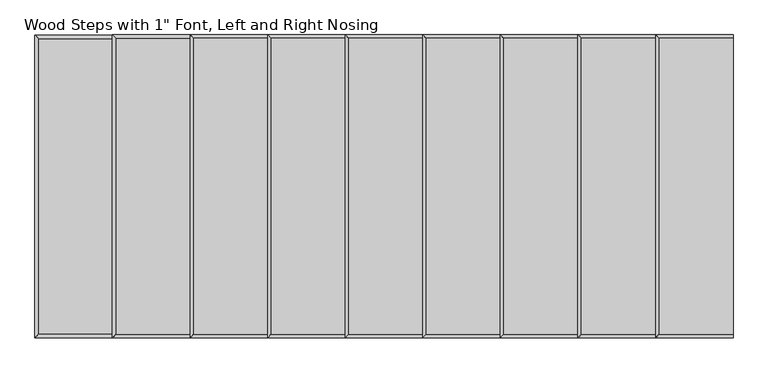
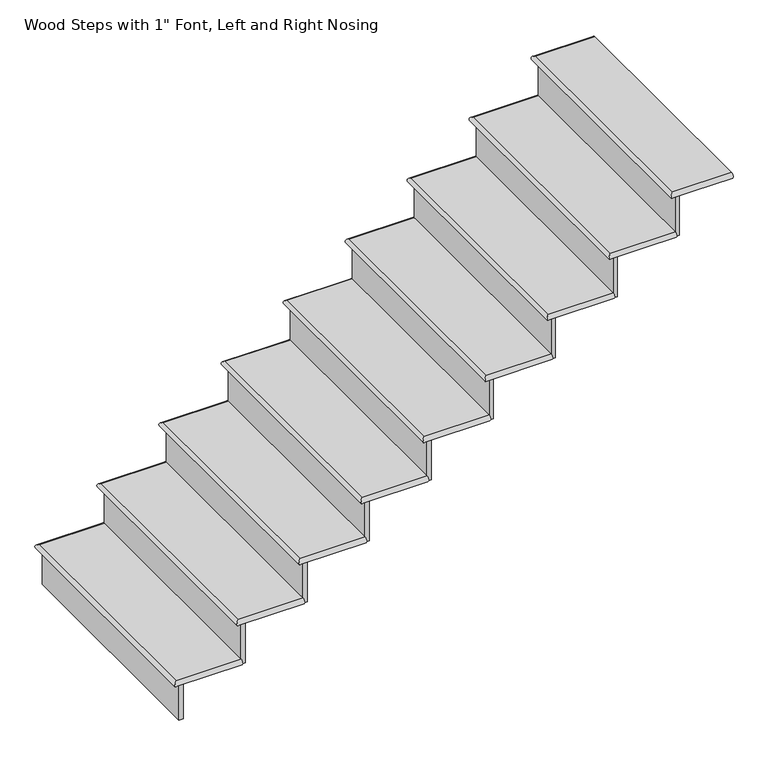
"""IFC4 building model written with IfcOpenShell, lengths in millimetres: stair flight geometry."""

from ifc_helpers import new_model, si_unit, frame, origin, place, context, project, spatial, circle_curve, ellipse_curve, faceted_brep, source, transform, mapped, element, save
from ifc_brep_helpers import plane_surface, cylinder_surface, advanced_brep


def stair_flight_1c9da4ee(model_context):
    return source(origin(), model_context, "Body", "SolidModel", [
        advanced_brep(
        [(243.0610723, 3207.6181742, -1864.36), (243.0610723, 3207.6181742, -1838.96), (-49.0389277, 3207.6181742, -1838.96), (-49.0389277, 3207.6181742, -1864.36), (-49.0389277, 4274.4181742, -1838.96), (-49.0389277, 4274.4181742, -1864.36), (243.0610723, 4274.4181742, -1838.96), (243.0610723, 4274.4181742, -1864.36)],
        [
            (0, 1, circle_curve(frame((243.0610723, 3207.6181742, -1851.66), z_axis=(-1.0, 0.0, 0.0), x_axis=(0.0, 1.0, 0.0)), 12.7)),
            (1, 2),
            (2, 3, ellipse_curve(frame((-49.0389277, 3207.6181742, -1851.66), z_axis=(0.7071067811865449, -0.7071067811865501, 0.0), x_axis=(0.70710678118655, 0.707106781186545, 0.0)), 17.9605122, 12.7)),
            (3, 0),
            (2, 4),
            (4, 5, ellipse_curve(frame((-49.0389277, 4274.4181742, -1851.66), z_axis=(-0.70710678118655, -0.7071067811865449, 0.0), x_axis=(0.7071067811865448, -0.7071067811865501, 0.0)), 17.9605122, 12.7)),
            (5, 3),
            (4, 6),
            (6, 7, circle_curve(frame((243.0610723, 4274.4181742, -1851.66), z_axis=(-1.0, 0.0, 0.0), x_axis=(0.0, -1.0, 0.0)), 12.7)),
            (7, 5),
            (1, 6),
            (7, 0),
        ],
        [
            cylinder_surface(frame((243.0610723, 3207.6181742, -1851.66), z_axis=(1.0, 0.0, 0.0), x_axis=(0.0, 1.0, 0.0)), 12.7),
            cylinder_surface(frame((-49.0389277, 3207.6181742, -1851.66), z_axis=(0.0, -1.0, 0.0), x_axis=(1.0, 0.0, 0.0)), 12.7),
            cylinder_surface(frame((-49.0389277, 4274.4181742, -1851.66), z_axis=(-1.0, 0.0, 0.0), x_axis=(0.0, -1.0, 0.0)), 12.7),
            plane_surface(frame((-61.7389277, 4274.4181742, -1838.96), z_axis=(0.0, 0.0, 1.0), x_axis=(-1.0, 0.0, 0.0))),
            plane_surface(frame((-61.7389277, 4274.4181742, -1864.36), z_axis=(0.0, 0.0, -1.0), x_axis=(1.0, 0.0, 0.0))),
            plane_surface(frame((243.0610723, 3207.6181742, -1838.96), z_axis=(1.0, 0.0, 0.0), x_axis=(0.0, 0.0, -1.0))),
        ],
        [
            (0, [[1, 2, 3, 4]]),
            (1, [[-3, 5, 6, 7]]),
            (2, [[-6, 8, 9, 10]]),
            (3, [[11, -8, -5, -2]]),
            (4, [[12, -4, -7, -10]]),
            (5, [[-11, -1, -12, -9]]),
        ],
    ),
        faceted_brep([(-36.3389277, 3207.6181742, -1864.36), (-36.3389277, 3207.6181742, -2032.0), (-17.2889277, 3207.6181742, -2032.0), (-17.2889277, 3207.6181742, -1864.36), (-36.3389277, 4274.4181742, -1864.36), (-17.2889277, 4274.4181742, -1864.36), (-17.2889277, 4274.4181742, -2032.0), (-36.3389277, 4274.4181742, -2032.0)], [[[0, 1, 2, 3]], [[4, 5, 6, 7]], [[1, 0, 4, 7]], [[2, 1, 7, 6]], [[3, 2, 6, 5]], [[0, 3, 5, 4]]]),
        faceted_brep([(243.0610723, 3207.6181742, -1671.32), (243.0610723, 3207.6181742, -1864.36), (262.1110723, 3207.6181742, -1864.36), (262.1110723, 3207.6181742, -1671.32), (243.0610723, 4274.4181742, -1671.32), (262.1110723, 4274.4181742, -1671.32), (262.1110723, 4274.4181742, -1864.36), (243.0610723, 4274.4181742, -1864.36)], [[[0, 1, 2, 3]], [[4, 5, 6, 7]], [[1, 0, 4, 7]], [[2, 1, 7, 6]], [[3, 2, 6, 5]], [[0, 3, 5, 4]]]),
        advanced_brep(
        [(522.4610723, 3207.6181742, -1645.92), (522.4610723, 4274.4181742, -1645.92), (230.3610723, 4274.4181742, -1645.92), (230.3610723, 3207.6181742, -1645.92), (522.4610723, 4274.4181742, -1671.32), (522.4610723, 3207.6181742, -1671.32), (230.3610723, 3207.6181742, -1671.32), (230.3610723, 4274.4181742, -1671.32)],
        [
            (0, 1),
            (1, 2),
            (2, 3),
            (3, 0),
            (4, 5),
            (5, 6),
            (6, 7),
            (7, 4),
            (0, 5, circle_curve(frame((522.4610723, 3207.6181742, -1658.62), z_axis=(1.0, 0.0, 0.0), x_axis=(0.0, 1.0, 0.0)), 12.7)),
            (4, 1, circle_curve(frame((522.4610723, 4274.4181742, -1658.62), z_axis=(1.0, 0.0, 0.0), x_axis=(0.0, -1.0, 0.0)), 12.7)),
            (3, 6, ellipse_curve(frame((230.3610723, 3207.6181742, -1658.62), z_axis=(0.7071067811865456, -0.7071067811865493, 0.0), x_axis=(0.7071067811865495, 0.7071067811865456, 0.0)), 17.9605122, 12.7)),
            (2, 7, ellipse_curve(frame((230.3610723, 4274.4181742, -1658.62), z_axis=(-0.7071067811865495, -0.7071067811865455, 0.0), x_axis=(0.7071067811865452, -0.7071067811865497, 0.0)), 17.9605122, 12.7)),
        ],
        [
            plane_surface(frame((-61.7389277, 4274.4181742, -1645.92), z_axis=(0.0, 0.0, 1.0), x_axis=(-1.0, 0.0, 0.0))),
            plane_surface(frame((-61.7389277, 4274.4181742, -1671.32), z_axis=(0.0, 0.0, -1.0), x_axis=(1.0, 0.0, 0.0))),
            plane_surface(frame((522.4610723, 3207.6181742, -1645.92), z_axis=(1.0, 0.0, 0.0), x_axis=(0.0, 0.0, -1.0))),
            cylinder_surface(frame((522.4610723, 3207.6181742, -1658.62), z_axis=(1.0, 0.0, 0.0), x_axis=(0.0, 1.0, 0.0)), 12.7),
            cylinder_surface(frame((230.3610723, 3207.6181742, -1658.62), z_axis=(0.0, -1.0, 0.0), x_axis=(1.0, 0.0, 0.0)), 12.7),
            cylinder_surface(frame((230.3610723, 4274.4181742, -1658.62), z_axis=(-1.0, 0.0, 0.0), x_axis=(0.0, -1.0, 0.0)), 12.7),
        ],
        [
            (0, [[1, 2, 3, 4]]),
            (1, [[5, 6, 7, 8]]),
            (2, [[-1, 9, -5, 10]]),
            (3, [[-9, -4, 11, -6]]),
            (4, [[-11, -3, 12, -7]]),
            (5, [[-12, -2, -10, -8]]),
        ],
    ),
        faceted_brep([(522.4610723, 3207.6181742, -1478.28), (522.4610723, 3207.6181742, -1671.32), (541.5110723, 3207.6181742, -1671.32), (541.5110723, 3207.6181742, -1478.28), (522.4610723, 4274.4181742, -1478.28), (541.5110723, 4274.4181742, -1478.28), (541.5110723, 4274.4181742, -1671.32), (522.4610723, 4274.4181742, -1671.32)], [[[0, 1, 2, 3]], [[4, 5, 6, 7]], [[1, 0, 4, 7]], [[2, 1, 7, 6]], [[3, 2, 6, 5]], [[0, 3, 5, 4]]]),
        advanced_brep(
        [(801.8610723, 3207.6181742, -1452.88), (801.8610723, 4274.4181742, -1452.88), (509.7610723, 4274.4181742, -1452.88), (509.7610723, 3207.6181742, -1452.88), (801.8610723, 4274.4181742, -1478.28), (801.8610723, 3207.6181742, -1478.28), (509.7610723, 3207.6181742, -1478.28), (509.7610723, 4274.4181742, -1478.28)],
        [
            (0, 1),
            (1, 2),
            (2, 3),
            (3, 0),
            (4, 5),
            (5, 6),
            (6, 7),
            (7, 4),
            (0, 5, circle_curve(frame((801.8610723, 3207.6181742, -1465.58), z_axis=(1.0, 0.0, 0.0), x_axis=(0.0, 1.0, 0.0)), 12.7)),
            (4, 1, circle_curve(frame((801.8610723, 4274.4181742, -1465.58), z_axis=(1.0, 0.0, 0.0), x_axis=(0.0, -1.0, 0.0)), 12.7)),
            (3, 6, ellipse_curve(frame((509.7610723, 3207.6181742, -1465.58), z_axis=(0.7071067811865456, -0.7071067811865493, 0.0), x_axis=(0.7071067811865495, 0.7071067811865456, 0.0)), 17.9605122, 12.7)),
            (2, 7, ellipse_curve(frame((509.7610723, 4274.4181742, -1465.58), z_axis=(-0.7071067811865495, -0.7071067811865455, 0.0), x_axis=(0.7071067811865452, -0.7071067811865497, 0.0)), 17.9605122, 12.7)),
        ],
        [
            plane_surface(frame((217.6610723, 4274.4181742, -1452.88), z_axis=(0.0, 0.0, 1.0), x_axis=(-1.0, 0.0, 0.0))),
            plane_surface(frame((217.6610723, 4274.4181742, -1478.28), z_axis=(0.0, 0.0, -1.0), x_axis=(1.0, 0.0, 0.0))),
            plane_surface(frame((801.8610723, 3207.6181742, -1452.88), z_axis=(1.0, 0.0, 0.0), x_axis=(0.0, 0.0, -1.0))),
            cylinder_surface(frame((801.8610723, 3207.6181742, -1465.58), z_axis=(1.0, 0.0, 0.0), x_axis=(0.0, 1.0, 0.0)), 12.7),
            cylinder_surface(frame((509.7610723, 3207.6181742, -1465.58), z_axis=(0.0, -1.0, 0.0), x_axis=(1.0, 0.0, 0.0)), 12.7),
            cylinder_surface(frame((509.7610723, 4274.4181742, -1465.58), z_axis=(-1.0, 0.0, 0.0), x_axis=(0.0, -1.0, 0.0)), 12.7),
        ],
        [
            (0, [[1, 2, 3, 4]]),
            (1, [[5, 6, 7, 8]]),
            (2, [[-1, 9, -5, 10]]),
            (3, [[-9, -4, 11, -6]]),
            (4, [[-11, -3, 12, -7]]),
            (5, [[-12, -2, -10, -8]]),
        ],
    ),
        faceted_brep([(801.8610723, 3207.6181742, -1285.24), (801.8610723, 3207.6181742, -1478.28), (820.9110723, 3207.6181742, -1478.28), (820.9110723, 3207.6181742, -1285.24), (801.8610723, 4274.4181742, -1285.24), (820.9110723, 4274.4181742, -1285.24), (820.9110723, 4274.4181742, -1478.28), (801.8610723, 4274.4181742, -1478.28)], [[[0, 1, 2, 3]], [[4, 5, 6, 7]], [[1, 0, 4, 7]], [[2, 1, 7, 6]], [[3, 2, 6, 5]], [[0, 3, 5, 4]]]),
        advanced_brep(
        [(1081.2610723, 3207.6181742, -1259.84), (1081.2610723, 4274.4181742, -1259.84), (789.1610723, 4274.4181742, -1259.84), (789.1610723, 3207.6181742, -1259.84), (1081.2610723, 4274.4181742, -1285.24), (1081.2610723, 3207.6181742, -1285.24), (789.1610723, 3207.6181742, -1285.24), (789.1610723, 4274.4181742, -1285.24)],
        [
            (0, 1),
            (1, 2),
            (2, 3),
            (3, 0),
            (4, 5),
            (5, 6),
            (6, 7),
            (7, 4),
            (0, 5, circle_curve(frame((1081.2610723, 3207.6181742, -1272.54), z_axis=(1.0, 0.0, 0.0), x_axis=(0.0, 1.0, 0.0)), 12.7)),
            (4, 1, circle_curve(frame((1081.2610723, 4274.4181742, -1272.54), z_axis=(1.0, 0.0, 0.0), x_axis=(0.0, -1.0, 0.0)), 12.7)),
            (3, 6, ellipse_curve(frame((789.1610723, 3207.6181742, -1272.54), z_axis=(0.7071067811865456, -0.7071067811865493, 0.0), x_axis=(0.7071067811865495, 0.7071067811865456, 0.0)), 17.9605122, 12.7)),
            (2, 7, ellipse_curve(frame((789.1610723, 4274.4181742, -1272.54), z_axis=(-0.7071067811865495, -0.7071067811865455, 0.0), x_axis=(0.7071067811865452, -0.7071067811865497, 0.0)), 17.9605122, 12.7)),
        ],
        [
            plane_surface(frame((497.0610723, 4274.4181742, -1259.84), z_axis=(0.0, 0.0, 1.0), x_axis=(-1.0, 0.0, 0.0))),
            plane_surface(frame((497.0610723, 4274.4181742, -1285.24), z_axis=(0.0, 0.0, -1.0), x_axis=(1.0, 0.0, 0.0))),
            plane_surface(frame((1081.2610723, 3207.6181742, -1259.84), z_axis=(1.0, 0.0, 0.0), x_axis=(0.0, 0.0, -1.0))),
            cylinder_surface(frame((1081.2610723, 3207.6181742, -1272.54), z_axis=(1.0, 0.0, 0.0), x_axis=(0.0, 1.0, 0.0)), 12.7),
            cylinder_surface(frame((789.1610723, 3207.6181742, -1272.54), z_axis=(0.0, -1.0, 0.0), x_axis=(1.0, 0.0, 0.0)), 12.7),
            cylinder_surface(frame((789.1610723, 4274.4181742, -1272.54), z_axis=(-1.0, 0.0, 0.0), x_axis=(0.0, -1.0, 0.0)), 12.7),
        ],
        [
            (0, [[1, 2, 3, 4]]),
            (1, [[5, 6, 7, 8]]),
            (2, [[-1, 9, -5, 10]]),
            (3, [[-9, -4, 11, -6]]),
            (4, [[-11, -3, 12, -7]]),
            (5, [[-12, -2, -10, -8]]),
        ],
    ),
        faceted_brep([(1081.2610723, 3207.6181742, -1092.2), (1081.2610723, 3207.6181742, -1285.24), (1100.3110723, 3207.6181742, -1285.24), (1100.3110723, 3207.6181742, -1092.2), (1081.2610723, 4274.4181742, -1092.2), (1100.3110723, 4274.4181742, -1092.2), (1100.3110723, 4274.4181742, -1285.24), (1081.2610723, 4274.4181742, -1285.24)], [[[0, 1, 2, 3]], [[4, 5, 6, 7]], [[1, 0, 4, 7]], [[2, 1, 7, 6]], [[3, 2, 6, 5]], [[0, 3, 5, 4]]]),
        advanced_brep(
        [(1360.6610723, 3207.6181742, -1066.8), (1360.6610723, 4274.4181742, -1066.8), (1068.5610723, 4274.4181742, -1066.8), (1068.5610723, 3207.6181742, -1066.8), (1360.6610723, 4274.4181742, -1092.2), (1360.6610723, 3207.6181742, -1092.2), (1068.5610723, 3207.6181742, -1092.2), (1068.5610723, 4274.4181742, -1092.2)],
        [
            (0, 1),
            (1, 2),
            (2, 3),
            (3, 0),
            (4, 5),
            (5, 6),
            (6, 7),
            (7, 4),
            (0, 5, circle_curve(frame((1360.6610723, 3207.6181742, -1079.5), z_axis=(1.0, 0.0, 0.0), x_axis=(0.0, 1.0, 0.0)), 12.7)),
            (4, 1, circle_curve(frame((1360.6610723, 4274.4181742, -1079.5), z_axis=(1.0, 0.0, 0.0), x_axis=(0.0, -1.0, 0.0)), 12.7)),
            (3, 6, ellipse_curve(frame((1068.5610723, 3207.6181742, -1079.5), z_axis=(0.7071067811865456, -0.7071067811865493, 0.0), x_axis=(0.7071067811865495, 0.7071067811865456, 0.0)), 17.9605122, 12.7)),
            (2, 7, ellipse_curve(frame((1068.5610723, 4274.4181742, -1079.5), z_axis=(-0.7071067811865495, -0.7071067811865455, 0.0), x_axis=(0.7071067811865452, -0.7071067811865497, 0.0)), 17.9605122, 12.7)),
        ],
        [
            plane_surface(frame((776.4610723, 4274.4181742, -1066.8), z_axis=(0.0, 0.0, 1.0), x_axis=(-1.0, 0.0, 0.0))),
            plane_surface(frame((776.4610723, 4274.4181742, -1092.2), z_axis=(0.0, 0.0, -1.0), x_axis=(1.0, 0.0, 0.0))),
            plane_surface(frame((1360.6610723, 3207.6181742, -1066.8), z_axis=(1.0, 0.0, 0.0), x_axis=(0.0, 0.0, -1.0))),
            cylinder_surface(frame((1360.6610723, 3207.6181742, -1079.5), z_axis=(1.0, 0.0, 0.0), x_axis=(0.0, 1.0, 0.0)), 12.7),
            cylinder_surface(frame((1068.5610723, 3207.6181742, -1079.5), z_axis=(0.0, -1.0, 0.0), x_axis=(1.0, 0.0, 0.0)), 12.7),
            cylinder_surface(frame((1068.5610723, 4274.4181742, -1079.5), z_axis=(-1.0, 0.0, 0.0), x_axis=(0.0, -1.0, 0.0)), 12.7),
        ],
        [
            (0, [[1, 2, 3, 4]]),
            (1, [[5, 6, 7, 8]]),
            (2, [[-1, 9, -5, 10]]),
            (3, [[-9, -4, 11, -6]]),
            (4, [[-11, -3, 12, -7]]),
            (5, [[-12, -2, -10, -8]]),
        ],
    ),
        faceted_brep([(1360.6610723, 3207.6181742, -899.16), (1360.6610723, 3207.6181742, -1092.2), (1379.7110723, 3207.6181742, -1092.2), (1379.7110723, 3207.6181742, -899.16), (1360.6610723, 4274.4181742, -899.16), (1379.7110723, 4274.4181742, -899.16), (1379.7110723, 4274.4181742, -1092.2), (1360.6610723, 4274.4181742, -1092.2)], [[[0, 1, 2, 3]], [[4, 5, 6, 7]], [[1, 0, 4, 7]], [[2, 1, 7, 6]], [[3, 2, 6, 5]], [[0, 3, 5, 4]]]),
        advanced_brep(
        [(1640.0610723, 3207.6181742, -873.76), (1640.0610723, 4274.4181742, -873.76), (1347.9610723, 4274.4181742, -873.76), (1347.9610723, 3207.6181742, -873.76), (1640.0610723, 4274.4181742, -899.16), (1640.0610723, 3207.6181742, -899.16), (1347.9610723, 3207.6181742, -899.16), (1347.9610723, 4274.4181742, -899.16)],
        [
            (0, 1),
            (1, 2),
            (2, 3),
            (3, 0),
            (4, 5),
            (5, 6),
            (6, 7),
            (7, 4),
            (0, 5, circle_curve(frame((1640.0610723, 3207.6181742, -886.46), z_axis=(1.0, 0.0, 0.0), x_axis=(0.0, 1.0, 0.0)), 12.7)),
            (4, 1, circle_curve(frame((1640.0610723, 4274.4181742, -886.46), z_axis=(1.0, 0.0, 0.0), x_axis=(0.0, -1.0, 0.0)), 12.7)),
            (3, 6, ellipse_curve(frame((1347.9610723, 3207.6181742, -886.46), z_axis=(0.7071067811865456, -0.7071067811865493, 0.0), x_axis=(0.7071067811865495, 0.7071067811865456, 0.0)), 17.9605122, 12.7)),
            (2, 7, ellipse_curve(frame((1347.9610723, 4274.4181742, -886.46), z_axis=(-0.7071067811865495, -0.7071067811865455, 0.0), x_axis=(0.7071067811865452, -0.7071067811865497, 0.0)), 17.9605122, 12.7)),
        ],
        [
            plane_surface(frame((1055.8610723, 4274.4181742, -873.76), z_axis=(0.0, 0.0, 1.0), x_axis=(-1.0, 0.0, 0.0))),
            plane_surface(frame((1055.8610723, 4274.4181742, -899.16), z_axis=(0.0, 0.0, -1.0), x_axis=(1.0, 0.0, 0.0))),
            plane_surface(frame((1640.0610723, 3207.6181742, -873.76), z_axis=(1.0, 0.0, 0.0), x_axis=(0.0, 0.0, -1.0))),
            cylinder_surface(frame((1640.0610723, 3207.6181742, -886.46), z_axis=(1.0, 0.0, 0.0), x_axis=(0.0, 1.0, 0.0)), 12.7),
            cylinder_surface(frame((1347.9610723, 3207.6181742, -886.46), z_axis=(0.0, -1.0, 0.0), x_axis=(1.0, 0.0, 0.0)), 12.7),
            cylinder_surface(frame((1347.9610723, 4274.4181742, -886.46), z_axis=(-1.0, 0.0, 0.0), x_axis=(0.0, -1.0, 0.0)), 12.7),
        ],
        [
            (0, [[1, 2, 3, 4]]),
            (1, [[5, 6, 7, 8]]),
            (2, [[-1, 9, -5, 10]]),
            (3, [[-9, -4, 11, -6]]),
            (4, [[-11, -3, 12, -7]]),
            (5, [[-12, -2, -10, -8]]),
        ],
    ),
        faceted_brep([(1640.0610723, 3207.6181742, -706.12), (1640.0610723, 3207.6181742, -899.16), (1659.1110723, 3207.6181742, -899.16), (1659.1110723, 3207.6181742, -706.12), (1640.0610723, 4274.4181742, -706.12), (1659.1110723, 4274.4181742, -706.12), (1659.1110723, 4274.4181742, -899.16), (1640.0610723, 4274.4181742, -899.16)], [[[0, 1, 2, 3]], [[4, 5, 6, 7]], [[1, 0, 4, 7]], [[2, 1, 7, 6]], [[3, 2, 6, 5]], [[0, 3, 5, 4]]]),
        advanced_brep(
        [(1919.4610723, 3207.6181742, -680.72), (1919.4610723, 4274.4181742, -680.72), (1627.3610723, 4274.4181742, -680.72), (1627.3610723, 3207.6181742, -680.72), (1919.4610723, 4274.4181742, -706.12), (1919.4610723, 3207.6181742, -706.12), (1627.3610723, 3207.6181742, -706.12), (1627.3610723, 4274.4181742, -706.12)],
        [
            (0, 1),
            (1, 2),
            (2, 3),
            (3, 0),
            (4, 5),
            (5, 6),
            (6, 7),
            (7, 4),
            (0, 5, circle_curve(frame((1919.4610723, 3207.6181742, -693.42), z_axis=(1.0, 0.0, 0.0), x_axis=(0.0, 1.0, 0.0)), 12.7)),
            (4, 1, circle_curve(frame((1919.4610723, 4274.4181742, -693.42), z_axis=(1.0, 0.0, 0.0), x_axis=(0.0, -1.0, 0.0)), 12.7)),
            (3, 6, ellipse_curve(frame((1627.3610723, 3207.6181742, -693.42), z_axis=(0.7071067811865456, -0.7071067811865493, 0.0), x_axis=(0.7071067811865495, 0.7071067811865456, 0.0)), 17.9605122, 12.7)),
            (2, 7, ellipse_curve(frame((1627.3610723, 4274.4181742, -693.42), z_axis=(-0.7071067811865495, -0.7071067811865455, 0.0), x_axis=(0.7071067811865452, -0.7071067811865497, 0.0)), 17.9605122, 12.7)),
        ],
        [
            plane_surface(frame((1335.2610723, 4274.4181742, -680.72), z_axis=(0.0, 0.0, 1.0), x_axis=(-1.0, 0.0, 0.0))),
            plane_surface(frame((1335.2610723, 4274.4181742, -706.12), z_axis=(0.0, 0.0, -1.0), x_axis=(1.0, 0.0, 0.0))),
            plane_surface(frame((1919.4610723, 3207.6181742, -680.72), z_axis=(1.0, 0.0, 0.0), x_axis=(0.0, 0.0, -1.0))),
            cylinder_surface(frame((1919.4610723, 3207.6181742, -693.42), z_axis=(1.0, 0.0, 0.0), x_axis=(0.0, 1.0, 0.0)), 12.7),
            cylinder_surface(frame((1627.3610723, 3207.6181742, -693.42), z_axis=(0.0, -1.0, 0.0), x_axis=(1.0, 0.0, 0.0)), 12.7),
            cylinder_surface(frame((1627.3610723, 4274.4181742, -693.42), z_axis=(-1.0, 0.0, 0.0), x_axis=(0.0, -1.0, 0.0)), 12.7),
        ],
        [
            (0, [[1, 2, 3, 4]]),
            (1, [[5, 6, 7, 8]]),
            (2, [[-1, 9, -5, 10]]),
            (3, [[-9, -4, 11, -6]]),
            (4, [[-11, -3, 12, -7]]),
            (5, [[-12, -2, -10, -8]]),
        ],
    ),
        faceted_brep([(1919.4610723, 3207.6181742, -513.08), (1919.4610723, 3207.6181742, -706.12), (1938.5110723, 3207.6181742, -706.12), (1938.5110723, 3207.6181742, -513.08), (1919.4610723, 4274.4181742, -513.08), (1938.5110723, 4274.4181742, -513.08), (1938.5110723, 4274.4181742, -706.12), (1919.4610723, 4274.4181742, -706.12)], [[[0, 1, 2, 3]], [[4, 5, 6, 7]], [[1, 0, 4, 7]], [[2, 1, 7, 6]], [[3, 2, 6, 5]], [[0, 3, 5, 4]]]),
        advanced_brep(
        [(2198.8610723, 3207.6181742, -487.68), (2198.8610723, 4274.4181742, -487.68), (1906.7610723, 4274.4181742, -487.68), (1906.7610723, 3207.6181742, -487.68), (2198.8610723, 4274.4181742, -513.08), (2198.8610723, 3207.6181742, -513.08), (1906.7610723, 3207.6181742, -513.08), (1906.7610723, 4274.4181742, -513.08)],
        [
            (0, 1),
            (1, 2),
            (2, 3),
            (3, 0),
            (4, 5),
            (5, 6),
            (6, 7),
            (7, 4),
            (0, 5, circle_curve(frame((2198.8610723, 3207.6181742, -500.38), z_axis=(1.0, 0.0, 0.0), x_axis=(0.0, 1.0, 0.0)), 12.7)),
            (4, 1, circle_curve(frame((2198.8610723, 4274.4181742, -500.38), z_axis=(1.0, 0.0, 0.0), x_axis=(0.0, -1.0, 0.0)), 12.7)),
            (3, 6, ellipse_curve(frame((1906.7610723, 3207.6181742, -500.38), z_axis=(0.7071067811865456, -0.7071067811865493, 0.0), x_axis=(0.7071067811865495, 0.7071067811865456, 0.0)), 17.9605122, 12.7)),
            (2, 7, ellipse_curve(frame((1906.7610723, 4274.4181742, -500.38), z_axis=(-0.7071067811865495, -0.7071067811865455, 0.0), x_axis=(0.7071067811865452, -0.7071067811865497, 0.0)), 17.9605122, 12.7)),
        ],
        [
            plane_surface(frame((1614.6610723, 4274.4181742, -487.68), z_axis=(0.0, 0.0, 1.0), x_axis=(-1.0, 0.0, 0.0))),
            plane_surface(frame((1614.6610723, 4274.4181742, -513.08), z_axis=(0.0, 0.0, -1.0), x_axis=(1.0, 0.0, 0.0))),
            plane_surface(frame((2198.8610723, 3207.6181742, -487.68), z_axis=(1.0, 0.0, 0.0), x_axis=(0.0, 0.0, -1.0))),
            cylinder_surface(frame((2198.8610723, 3207.6181742, -500.38), z_axis=(1.0, 0.0, 0.0), x_axis=(0.0, 1.0, 0.0)), 12.7),
            cylinder_surface(frame((1906.7610723, 3207.6181742, -500.38), z_axis=(0.0, -1.0, 0.0), x_axis=(1.0, 0.0, 0.0)), 12.7),
            cylinder_surface(frame((1906.7610723, 4274.4181742, -500.38), z_axis=(-1.0, 0.0, 0.0), x_axis=(0.0, -1.0, 0.0)), 12.7),
        ],
        [
            (0, [[1, 2, 3, 4]]),
            (1, [[5, 6, 7, 8]]),
            (2, [[-1, 9, -5, 10]]),
            (3, [[-9, -4, 11, -6]]),
            (4, [[-11, -3, 12, -7]]),
            (5, [[-12, -2, -10, -8]]),
        ],
    ),
        faceted_brep([(2198.8610723, 3207.6181742, -320.04), (2198.8610723, 3207.6181742, -513.08), (2217.9110723, 3207.6181742, -513.08), (2217.9110723, 3207.6181742, -320.04), (2198.8610723, 4274.4181742, -320.04), (2217.9110723, 4274.4181742, -320.04), (2217.9110723, 4274.4181742, -513.08), (2198.8610723, 4274.4181742, -513.08)], [[[0, 1, 2, 3]], [[4, 5, 6, 7]], [[1, 0, 4, 7]], [[2, 1, 7, 6]], [[3, 2, 6, 5]], [[0, 3, 5, 4]]]),
        advanced_brep(
        [(2452.8610723, 3207.6181742, -294.64), (2452.8610723, 4274.4181742, -294.64), (2186.1610723, 4274.4181742, -294.64), (2186.1610723, 3207.6181742, -294.64), (2452.8610723, 4274.4181742, -320.04), (2452.8610723, 3207.6181742, -320.04), (2186.1610723, 3207.6181742, -320.04), (2186.1610723, 4274.4181742, -320.04)],
        [
            (0, 1),
            (1, 2),
            (2, 3),
            (3, 0),
            (4, 5),
            (5, 6),
            (6, 7),
            (7, 4),
            (0, 5, circle_curve(frame((2452.8610723, 3207.6181742, -307.34), z_axis=(1.0, 0.0, 0.0), x_axis=(0.0, 1.0, 0.0)), 12.7)),
            (4, 1, circle_curve(frame((2452.8610723, 4274.4181742, -307.34), z_axis=(1.0, 0.0, 0.0), x_axis=(0.0, -1.0, 0.0)), 12.7)),
            (3, 6, ellipse_curve(frame((2186.1610723, 3207.6181742, -307.34), z_axis=(0.7071067811865449, -0.7071067811865501, 0.0), x_axis=(0.70710678118655, 0.707106781186545, 0.0)), 17.9605122, 12.7)),
            (2, 7, ellipse_curve(frame((2186.1610723, 4274.4181742, -307.34), z_axis=(-0.70710678118655, -0.7071067811865449, 0.0), x_axis=(0.7071067811865448, -0.7071067811865501, 0.0)), 17.9605122, 12.7)),
        ],
        [
            plane_surface(frame((-61.7389277, 4274.4181742, -294.64), z_axis=(0.0, 0.0, 1.0), x_axis=(-1.0, 0.0, 0.0))),
            plane_surface(frame((-61.7389277, 4274.4181742, -320.04), z_axis=(0.0, 0.0, -1.0), x_axis=(1.0, 0.0, 0.0))),
            plane_surface(frame((2452.8610723, 3207.6181742, -294.64), z_axis=(1.0, 0.0, 0.0), x_axis=(0.0, 0.0, -1.0))),
            cylinder_surface(frame((2452.8610723, 3207.6181742, -307.34), z_axis=(1.0, 0.0, 0.0), x_axis=(0.0, 1.0, 0.0)), 12.7),
            cylinder_surface(frame((2186.1610723, 3207.6181742, -307.34), z_axis=(0.0, -1.0, 0.0), x_axis=(1.0, 0.0, 0.0)), 12.7),
            cylinder_surface(frame((2186.1610723, 4274.4181742, -307.34), z_axis=(-1.0, 0.0, 0.0), x_axis=(0.0, -1.0, 0.0)), 12.7),
        ],
        [
            (0, [[1, 2, 3, 4]]),
            (1, [[5, 6, 7, 8]]),
            (2, [[-1, 9, -5, 10]]),
            (3, [[-9, -4, 11, -6]]),
            (4, [[-11, -3, 12, -7]]),
            (5, [[-12, -2, -10, -8]]),
        ],
    ),
    ])


if __name__ == "__main__":
    model = new_model("IFC4")
    model_context = context("Model", 3, world=origin())
    ifc_project = project(units=[si_unit("LENGTHUNIT", "METRE", prefix="MILLI")], contexts=[model_context])
    site = spatial("IfcSite", under=ifc_project)
    building = spatial("IfcBuilding", under=site)
    placement = place(None, origin())
    stair_flight_shape = stair_flight_1c9da4ee(model_context)
    element("IfcStairFlight", 1, ObjectType="Wood Steps with 1\" Font, Left and Right Nosing", at=placement, inside=building, context=model_context, shape_type="MappedRepresentation", body=[
        mapped(stair_flight_shape, transform((0.0, 0.0, 0.0), x_axis=(1.0, 0.0, 0.0), y_axis=(0.0, 1.0, 0.0), z_axis=(0.0, 0.0, 1.0))),
    ])
    save(model, "model.ifc")
